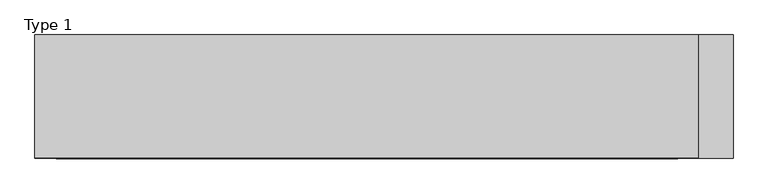
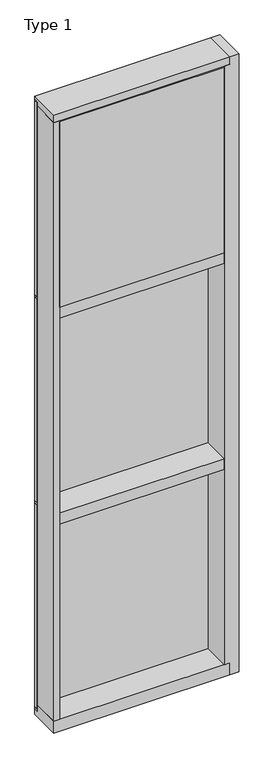
"""IFC4 building model written with IfcOpenShell, lengths in millimetres: plate geometry, Type 1."""

from ifc_helpers import new_model, si_unit, frame, origin, place, context, project, spatial, polyline, outline, extrude, faceted_brep, source, transform, mapped, element, save


def type_1_2213c71c(model_context):
    return source(origin(), model_context, "Body", "SolidModel", [
        extrude(outline(polyline([(494.1624799, 27.6881517), (494.1624799, 11.2982336), (481.4635691, 11.2982336), (481.4635691, 27.6881517), (494.1624799, 27.6881517)])), frame((0.0, 0.0, 1225.55), z_axis=(0.0, 0.0, 1.0), x_axis=(1.0, 0.0, 0.0)), (0.0, 0.0, 1.0), 1206.5),
        extrude(outline(polyline([(-481.4635691, 27.6881517), (-481.4635691, 11.2982336), (-494.1624799, 11.2982336), (-494.1624799, 27.6881517), (-481.4635691, 27.6881517)])), frame((0.0, 0.0, 1225.55), z_axis=(0.0, 0.0, 1.0), x_axis=(1.0, 0.0, 0.0)), (0.0, 0.0, 1.0), 1206.5),
        extrude(outline(polyline([(481.4635691, 27.686), (481.4635691, 2.286), (-481.4635691, 2.286), (-481.4635691, 27.686), (481.4635691, 27.686)])), frame((0.0, 0.0, 1225.55), z_axis=(0.0, 0.0, 1.0), x_axis=(1.0, 0.0, 0.0)), (0.0, 0.0, 1.0), 1206.5),
        extrude(outline(polyline([(494.1624799, 27.686), (494.1624799, 6.35), (-494.1624799, 6.35), (-494.1624799, 27.686), (494.1624799, 27.686)])), frame((0.0, 0.0, 2432.05), z_axis=(0.0, 0.0, 1.0), x_axis=(1.0, 0.0, 0.0)), (0.0, 0.0, 1.0), 12.7),
        extrude(outline(polyline([(-494.1624799, -155.9814), (-494.1624799, 2.286), (-462.4124799, 2.286), (-462.4124799, -155.9814), (-494.1624799, -155.9814)])), frame((0.0, 0.0, 31.75), z_axis=(0.0, 0.0, 1.0), x_axis=(1.0, 0.0, 0.0)), (0.0, 0.0, 1.0), 3543.3),
        faceted_brep([(544.9624799, 27.686, 3619.5), (544.9624799, -155.9814, 3619.5), (544.9624799, -155.9814, -38.1), (544.9624799, 27.686, -38.1), (494.1624799, 2.286, 3575.05), (462.4124799, 2.286, 3575.05), (462.4124799, -155.9814, 3575.05), (494.1624799, -155.9814, 3575.05), (494.1624799, 27.686, 3619.5), (494.1624799, -155.9814, 3619.5), (494.1624799, -155.9814, -38.1), (494.1624799, 27.686, -38.1), (462.4124799, -155.9814, 31.75), (494.1624799, -155.9814, 31.75), (494.1624799, 2.286, 31.75), (462.4124799, 2.286, 31.75)], [[[0, 1, 2, 3]], [[4, 5, 6, 7]], [[1, 0, 8, 9]], [[2, 10, 11, 3]], [[1, 9, 7, 6, 12, 13, 10, 2]], [[9, 8, 11, 10, 13, 14, 4, 7]], [[8, 0, 3, 11]], [[13, 12, 15, 14]], [[6, 5, 15, 12]], [[5, 4, 14, 15]]]),
        extrude(outline(polyline([(462.4135691, -48.6409999), (462.4135691, -156.32684), (-462.4124799, -156.32684), (-462.4124799, -48.6409999), (462.4135691, -48.6409999)])), frame((0.0, 0.0, 2470.15), z_axis=(0.0, 0.0, 1.0), x_axis=(1.0, 0.0, 0.0)), (0.0, 0.0, 1.0), 1098.6493556),
        extrude(outline(polyline([(494.1624799, 27.6881517), (494.1624799, 11.2982336), (481.4635691, 11.2982336), (481.4635691, 27.6881517), (494.1624799, 27.6881517)])), frame((0.0, 0.0, 2444.75), z_axis=(0.0, 0.0, 1.0), x_axis=(1.0, 0.0, 0.0)), (0.0, 0.0, 1.0), 1149.35),
        extrude(outline(polyline([(-481.4635691, 27.6881517), (-481.4635691, 11.2982336), (-494.1624799, 11.2982336), (-494.1624799, 27.6881517), (-481.4635691, 27.6881517)])), frame((0.0, 0.0, 2444.75), z_axis=(0.0, 0.0, 1.0), x_axis=(1.0, 0.0, 0.0)), (0.0, 0.0, 1.0), 1149.35),
        extrude(outline(polyline([(481.4635691, 27.686), (481.4635691, 2.286), (-481.4635691, 2.286), (-481.4635691, 27.686), (481.4635691, 27.686)])), frame((0.0, 0.0, 2444.75), z_axis=(0.0, 0.0, 1.0), x_axis=(1.0, 0.0, 0.0)), (0.0, 0.0, 1.0), 1149.35),
        extrude(outline(polyline([(494.1624799, 27.6881517), (494.1624799, 11.2982336), (481.4635691, 11.2982336), (481.4635691, 27.6881517), (494.1624799, 27.6881517)])), frame((0.0, 0.0, 6.35), z_axis=(0.0, 0.0, 1.0), x_axis=(1.0, 0.0, 0.0)), (0.0, 0.0, 1.0), 1206.5),
        extrude(outline(polyline([(-481.4635691, 27.6881517), (-481.4635691, 11.2982336), (-494.1624799, 11.2982336), (-494.1624799, 27.6881517), (-481.4635691, 27.6881517)])), frame((0.0, 0.0, 6.35), z_axis=(0.0, 0.0, 1.0), x_axis=(1.0, 0.0, 0.0)), (0.0, 0.0, 1.0), 1206.5),
        extrude(outline(polyline([(481.4635691, 27.686), (481.4635691, 2.286), (-481.4635691, 2.286), (-481.4635691, 27.686), (481.4635691, 27.686)])), frame((0.0, 0.0, 6.35), z_axis=(0.0, 0.0, 1.0), x_axis=(1.0, 0.0, 0.0)), (0.0, 0.0, 1.0), 1206.5),
        extrude(outline(polyline([(494.1624799, 27.686), (494.1624799, 6.35), (-494.1624799, 6.35), (-494.1624799, 27.686), (494.1624799, 27.686)])), frame((0.0, 0.0, 1212.85), z_axis=(0.0, 0.0, 1.0), x_axis=(1.0, 0.0, 0.0)), (0.0, 0.0, 1.0), 12.7),
        extrude(outline(polyline([(-462.4124799, -155.4734), (-462.4124799, 2.2859999), (462.4124799, 2.2859999), (462.4124799, -155.4734), (-462.4124799, -155.4734)])), frame((0.0, 0.0, 1187.45), z_axis=(0.0, 0.0, 1.0), x_axis=(1.0, 0.0, 0.0)), (0.0, 0.0, 1.0), 63.5),
        extrude(outline(polyline([(-494.1624799, 15.9510838), (-494.1624799, 27.6859999), (494.1624799, 27.6859999), (494.1624799, 15.9510838), (-494.1624799, 15.9510838)])), frame((0.0, 0.0, 3594.7366239), z_axis=(0.0, 0.0, 1.0), x_axis=(1.0, 0.0, 0.0)), (0.0, 0.0, 1.0), 6.7161694),
        extrude(outline(polyline([(27.686, 3619.5), (27.686, 3601.4527933), (2.286, 3601.4527933), (2.286, 3575.6866239), (-155.4734, 3575.6866239), (-155.4734, 3619.5), (27.686, 3619.5)])), frame((-494.1624799, 0.0, 0.0), z_axis=(1.0, 0.0, 0.0), x_axis=(0.0, 1.0, 0.0)), (0.0, 0.0, 1.0), 988.3249599),
        extrude(outline(polyline([(-494.1624799, 5.0946564), (-494.1624799, 27.6881517), (494.1624799, 27.6881517), (494.1624799, 5.0946564), (-494.1624799, 5.0946564)])), frame((0.0, 0.0, -6.2984797), z_axis=(0.0, 0.0, 1.0), x_axis=(1.0, 0.0, 0.0)), (0.0, 0.0, 1.0), 12.6484797),
        extrude(outline(polyline([(-462.4124799, -155.4734), (-462.4124799, 2.2859999), (462.4124799, 2.2859999), (462.4124799, -155.4734), (-462.4124799, -155.4734)])), frame((0.0, 0.0, 2406.65), z_axis=(0.0, 0.0, 1.0), x_axis=(1.0, 0.0, 0.0)), (0.0, 0.0, 1.0), 63.5),
        extrude(outline(polyline([(2.2859999, 31.75), (2.2859999, -6.2983857), (27.6858239, -6.2983857), (27.6858239, -38.1), (-155.6004, -38.1), (-155.6004, 31.75), (2.2859999, 31.75)])), frame((-494.1624799, 0.0, 0.0), z_axis=(1.0, 0.0, 0.0), x_axis=(0.0, 1.0, 0.0)), (0.0, 0.0, 1.0), 988.3249599),
    ])


if __name__ == "__main__":
    model = new_model("IFC4")
    model_context = context("Model", 3, world=origin())
    ifc_project = project(units=[si_unit("LENGTHUNIT", "METRE", prefix="MILLI")], contexts=[model_context])
    site = spatial("IfcSite", under=ifc_project)
    building = spatial("IfcBuilding", under=site)
    placement = place(None, origin())
    type_1_shape = type_1_2213c71c(model_context)
    element("IfcPlate", 1, ObjectType="Type 1", at=placement, inside=building, context=model_context, shape_type="MappedRepresentation", body=[
        mapped(type_1_shape, transform((0.0, 0.0, 0.0), x_axis=(1.0, 0.0, 0.0), y_axis=(0.0, 1.0, 0.0), z_axis=(0.0, 0.0, 1.0))),
    ])
    save(model, "model.ifc")
